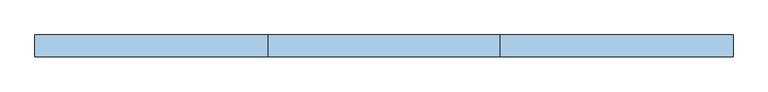
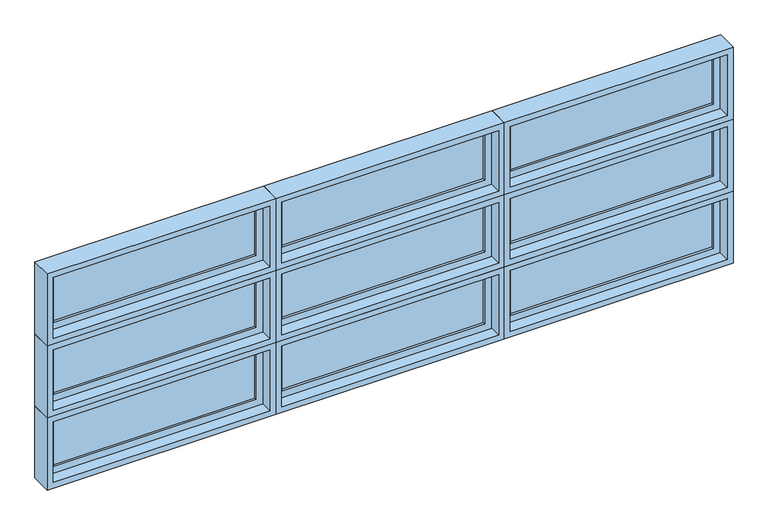
"""IFC4 building model written with IfcOpenShell, lengths in millimetres: window geometry."""

from ifc_helpers import new_model, si_unit, frame, origin, place, context, project, spatial, polyline, outline, extrude, faceted_brep, source, transform, mapped, element, save


def window_64cedaa1(model_context):
    return source(origin(), model_context, "Body", "SolidModel", [
        faceted_brep([(-2310.9781766, 42.8625, 1739.9), (-2310.9781766, 93.6625, 1739.9), (-3504.7781766, 93.6625, 1739.9), (-3504.7781766, 42.8625, 1739.9), (-2330.0281766, -20.6375, 1758.95), (-2330.0281766, 42.8625, 1758.95), (-3485.7281766, 42.8625, 1758.95), (-3485.7281766, -20.6375, 1758.95), (-2298.2781766, 93.6625, 1727.2), (-2298.2781766, -20.6375, 1727.2), (-3517.4781766, -20.6375, 1727.2), (-3517.4781766, 93.6625, 1727.2), (-3504.7781766, 93.6625, 2120.9), (-3504.7781766, 42.8625, 2120.9), (-3485.7281766, 42.8625, 2101.85), (-3485.7281766, -20.6375, 2101.85), (-3517.4781766, -20.6375, 2133.6), (-3517.4781766, 93.6625, 2133.6), (-2310.9781766, 93.6625, 2120.9), (-2310.9781766, 42.8625, 2120.9), (-2330.0281766, 42.8625, 2101.85), (-2330.0281766, -20.6375, 2101.85), (-2298.2781766, -20.6375, 2133.6), (-2298.2781766, 93.6625, 2133.6)], [[[0, 1, 2, 3]], [[4, 5, 6, 7]], [[8, 9, 10, 11]], [[3, 2, 12, 13]], [[7, 6, 14, 15]], [[11, 10, 16, 17]], [[13, 12, 18, 19]], [[15, 14, 20, 21]], [[17, 16, 22, 23]], [[11, 17, 23, 8], [1, 18, 12, 2]], [[19, 18, 1, 0]], [[3, 13, 19, 0], [5, 20, 14, 6]], [[21, 20, 5, 4]], [[9, 22, 16, 10], [7, 15, 21, 4]], [[23, 22, 9, 8]]]),
        extrude(outline(polyline([(-2368.1281766, 74.6125), (-2368.1281766, 68.2625), (-3447.6281766, 68.2625), (-3447.6281766, 74.6125), (-2368.1281766, 74.6125)])), frame((0.0, 0.0, 1797.05), z_axis=(0.0, 0.0, 1.0), x_axis=(1.0, 0.0, 0.0)), (0.0, 0.0, 1.0), 266.7),
        extrude(outline(polyline([(-2368.1281766, 61.9125), (-2368.1281766, 55.5625), (-3447.6281766, 55.5625), (-3447.6281766, 61.9125), (-2368.1281766, 61.9125)])), frame((0.0, 0.0, 1797.05), z_axis=(0.0, 0.0, 1.0), x_axis=(1.0, 0.0, 0.0)), (0.0, 0.0, 1.0), 266.7),
        extrude(outline(polyline([(1739.9, -3504.7781766), (1739.9, -2310.9781766), (2120.9, -2310.9781766), (2120.9, -3504.7781766), (1739.9, -3504.7781766)]), holes=[polyline([(2063.75, -3447.6281766), (2063.75, -2368.1281766), (1797.05, -2368.1281766), (1797.05, -3447.6281766), (2063.75, -3447.6281766)])]), frame((0.0, 42.8625, 0.0), z_axis=(0.0, 1.0, 0.0), x_axis=(0.0, 0.0, 1.0)), (0.0, 0.0, 1.0), 44.45),
        faceted_brep([(-2310.9781766, 42.8625, 1333.5), (-2310.9781766, 93.6625, 1333.5), (-3504.7781766, 93.6625, 1333.5), (-3504.7781766, 42.8625, 1333.5), (-2330.0281766, -20.6375, 1352.55), (-2330.0281766, 42.8625, 1352.55), (-3485.7281766, 42.8625, 1352.55), (-3485.7281766, -20.6375, 1352.55), (-2298.2781766, 93.6625, 1320.8), (-2298.2781766, -20.6375, 1320.8), (-3517.4781766, -20.6375, 1320.8), (-3517.4781766, 93.6625, 1320.8), (-3504.7781766, 93.6625, 1714.5), (-3504.7781766, 42.8625, 1714.5), (-3485.7281766, 42.8625, 1695.45), (-3485.7281766, -20.6375, 1695.45), (-3517.4781766, -20.6375, 1727.2), (-3517.4781766, 93.6625, 1727.2), (-2310.9781766, 93.6625, 1714.5), (-2310.9781766, 42.8625, 1714.5), (-2330.0281766, 42.8625, 1695.45), (-2330.0281766, -20.6375, 1695.45), (-2298.2781766, -20.6375, 1727.2), (-2298.2781766, 93.6625, 1727.2)], [[[0, 1, 2, 3]], [[4, 5, 6, 7]], [[8, 9, 10, 11]], [[3, 2, 12, 13]], [[7, 6, 14, 15]], [[11, 10, 16, 17]], [[13, 12, 18, 19]], [[15, 14, 20, 21]], [[17, 16, 22, 23]], [[11, 17, 23, 8], [1, 18, 12, 2]], [[19, 18, 1, 0]], [[3, 13, 19, 0], [5, 20, 14, 6]], [[21, 20, 5, 4]], [[9, 22, 16, 10], [7, 15, 21, 4]], [[23, 22, 9, 8]]]),
        extrude(outline(polyline([(-2368.1281766, 74.6125), (-2368.1281766, 68.2625), (-3447.6281766, 68.2625), (-3447.6281766, 74.6125), (-2368.1281766, 74.6125)])), frame((0.0, 0.0, 1390.65), z_axis=(0.0, 0.0, 1.0), x_axis=(1.0, 0.0, 0.0)), (0.0, 0.0, 1.0), 266.7),
        extrude(outline(polyline([(-2368.1281766, 61.9125), (-2368.1281766, 55.5625), (-3447.6281766, 55.5625), (-3447.6281766, 61.9125), (-2368.1281766, 61.9125)])), frame((0.0, 0.0, 1390.65), z_axis=(0.0, 0.0, 1.0), x_axis=(1.0, 0.0, 0.0)), (0.0, 0.0, 1.0), 266.7),
        extrude(outline(polyline([(1333.5, -3504.7781766), (1333.5, -2310.9781766), (1714.5, -2310.9781766), (1714.5, -3504.7781766), (1333.5, -3504.7781766)]), holes=[polyline([(1657.35, -3447.6281766), (1657.35, -2368.1281766), (1390.65, -2368.1281766), (1390.65, -3447.6281766), (1657.35, -3447.6281766)])]), frame((0.0, 42.8625, 0.0), z_axis=(0.0, 1.0, 0.0), x_axis=(0.0, 0.0, 1.0)), (0.0, 0.0, 1.0), 44.45),
        faceted_brep([(-2310.9781766, 42.8625, 927.1), (-2310.9781766, 93.6625, 927.1), (-3504.7781766, 93.6625, 927.1), (-3504.7781766, 42.8625, 927.1), (-2330.0281766, -20.6375, 946.15), (-2330.0281766, 42.8625, 946.15), (-3485.7281766, 42.8625, 946.15), (-3485.7281766, -20.6375, 946.15), (-2298.2781766, 93.6625, 914.4), (-2298.2781766, -20.6375, 914.4), (-3517.4781766, -20.6375, 914.4), (-3517.4781766, 93.6625, 914.4), (-3504.7781766, 93.6625, 1308.1), (-3504.7781766, 42.8625, 1308.1), (-3485.7281766, 42.8625, 1289.05), (-3485.7281766, -20.6375, 1289.05), (-3517.4781766, -20.6375, 1320.8), (-3517.4781766, 93.6625, 1320.8), (-2310.9781766, 93.6625, 1308.1), (-2310.9781766, 42.8625, 1308.1), (-2330.0281766, 42.8625, 1289.05), (-2330.0281766, -20.6375, 1289.05), (-2298.2781766, -20.6375, 1320.8), (-2298.2781766, 93.6625, 1320.8)], [[[0, 1, 2, 3]], [[4, 5, 6, 7]], [[8, 9, 10, 11]], [[3, 2, 12, 13]], [[7, 6, 14, 15]], [[11, 10, 16, 17]], [[13, 12, 18, 19]], [[15, 14, 20, 21]], [[17, 16, 22, 23]], [[11, 17, 23, 8], [1, 18, 12, 2]], [[19, 18, 1, 0]], [[3, 13, 19, 0], [5, 20, 14, 6]], [[21, 20, 5, 4]], [[9, 22, 16, 10], [7, 15, 21, 4]], [[23, 22, 9, 8]]]),
        extrude(outline(polyline([(-2368.1281766, 74.6125), (-2368.1281766, 68.2625), (-3447.6281766, 68.2625), (-3447.6281766, 74.6125), (-2368.1281766, 74.6125)])), frame((0.0, 0.0, 984.25), z_axis=(0.0, 0.0, 1.0), x_axis=(1.0, 0.0, 0.0)), (0.0, 0.0, 1.0), 266.7),
        extrude(outline(polyline([(-2368.1281766, 61.9125), (-2368.1281766, 55.5625), (-3447.6281766, 55.5625), (-3447.6281766, 61.9125), (-2368.1281766, 61.9125)])), frame((0.0, 0.0, 984.25), z_axis=(0.0, 0.0, 1.0), x_axis=(1.0, 0.0, 0.0)), (0.0, 0.0, 1.0), 266.7),
        extrude(outline(polyline([(927.1, -3504.7781766), (927.1, -2310.9781766), (1308.1, -2310.9781766), (1308.1, -3504.7781766), (927.1, -3504.7781766)]), holes=[polyline([(1250.95, -3447.6281766), (1250.95, -2368.1281766), (984.25, -2368.1281766), (984.25, -3447.6281766), (1250.95, -3447.6281766)])]), frame((0.0, 42.8625, 0.0), z_axis=(0.0, 1.0, 0.0), x_axis=(0.0, 0.0, 1.0)), (0.0, 0.0, 1.0), 44.45),
        faceted_brep([(127.4218234, 42.8625, 1739.9), (127.4218234, 93.6625, 1739.9), (-1066.3781766, 93.6625, 1739.9), (-1066.3781766, 42.8625, 1739.9), (108.3718234, -20.6375, 1758.95), (108.3718234, 42.8625, 1758.95), (-1047.3281766, 42.8625, 1758.95), (-1047.3281766, -20.6375, 1758.95), (140.1218234, 93.6625, 1727.2), (140.1218234, -20.6375, 1727.2), (-1079.0781766, -20.6375, 1727.2), (-1079.0781766, 93.6625, 1727.2), (-1066.3781766, 93.6625, 2120.9), (-1066.3781766, 42.8625, 2120.9), (-1047.3281766, 42.8625, 2101.85), (-1047.3281766, -20.6375, 2101.85), (-1079.0781766, -20.6375, 2133.6), (-1079.0781766, 93.6625, 2133.6), (127.4218234, 93.6625, 2120.9), (127.4218234, 42.8625, 2120.9), (108.3718234, 42.8625, 2101.85), (108.3718234, -20.6375, 2101.85), (140.1218234, -20.6375, 2133.6), (140.1218234, 93.6625, 2133.6)], [[[0, 1, 2, 3]], [[4, 5, 6, 7]], [[8, 9, 10, 11]], [[3, 2, 12, 13]], [[7, 6, 14, 15]], [[11, 10, 16, 17]], [[13, 12, 18, 19]], [[15, 14, 20, 21]], [[17, 16, 22, 23]], [[11, 17, 23, 8], [1, 18, 12, 2]], [[19, 18, 1, 0]], [[3, 13, 19, 0], [5, 20, 14, 6]], [[21, 20, 5, 4]], [[9, 22, 16, 10], [7, 15, 21, 4]], [[23, 22, 9, 8]]]),
        extrude(outline(polyline([(70.2718234, 74.6125), (70.2718234, 68.2625), (-1009.2281766, 68.2625), (-1009.2281766, 74.6125), (70.2718234, 74.6125)])), frame((0.0, 0.0, 1797.05), z_axis=(0.0, 0.0, 1.0), x_axis=(1.0, 0.0, 0.0)), (0.0, 0.0, 1.0), 266.7),
        extrude(outline(polyline([(70.2718234, 61.9125), (70.2718234, 55.5625), (-1009.2281766, 55.5625), (-1009.2281766, 61.9125), (70.2718234, 61.9125)])), frame((0.0, 0.0, 1797.05), z_axis=(0.0, 0.0, 1.0), x_axis=(1.0, 0.0, 0.0)), (0.0, 0.0, 1.0), 266.7),
        extrude(outline(polyline([(1739.9, -1066.3781766), (1739.9, 127.4218234), (2120.9, 127.4218234), (2120.9, -1066.3781766), (1739.9, -1066.3781766)]), holes=[polyline([(2063.75, -1009.2281766), (2063.75, 70.2718234), (1797.05, 70.2718234), (1797.05, -1009.2281766), (2063.75, -1009.2281766)])]), frame((0.0, 42.8625, 0.0), z_axis=(0.0, 1.0, 0.0), x_axis=(0.0, 0.0, 1.0)), (0.0, 0.0, 1.0), 44.45),
        faceted_brep([(127.4218234, 42.8625, 1333.5), (127.4218234, 93.6625, 1333.5), (-1066.3781766, 93.6625, 1333.5), (-1066.3781766, 42.8625, 1333.5), (108.3718234, -20.6375, 1352.55), (108.3718234, 42.8625, 1352.55), (-1047.3281766, 42.8625, 1352.55), (-1047.3281766, -20.6375, 1352.55), (140.1218234, 93.6625, 1320.8), (140.1218234, -20.6375, 1320.8), (-1079.0781766, -20.6375, 1320.8), (-1079.0781766, 93.6625, 1320.8), (-1066.3781766, 93.6625, 1714.5), (-1066.3781766, 42.8625, 1714.5), (-1047.3281766, 42.8625, 1695.45), (-1047.3281766, -20.6375, 1695.45), (-1079.0781766, -20.6375, 1727.2), (-1079.0781766, 93.6625, 1727.2), (127.4218234, 93.6625, 1714.5), (127.4218234, 42.8625, 1714.5), (108.3718234, 42.8625, 1695.45), (108.3718234, -20.6375, 1695.45), (140.1218234, -20.6375, 1727.2), (140.1218234, 93.6625, 1727.2)], [[[0, 1, 2, 3]], [[4, 5, 6, 7]], [[8, 9, 10, 11]], [[3, 2, 12, 13]], [[7, 6, 14, 15]], [[11, 10, 16, 17]], [[13, 12, 18, 19]], [[15, 14, 20, 21]], [[17, 16, 22, 23]], [[11, 17, 23, 8], [1, 18, 12, 2]], [[19, 18, 1, 0]], [[3, 13, 19, 0], [5, 20, 14, 6]], [[21, 20, 5, 4]], [[9, 22, 16, 10], [7, 15, 21, 4]], [[23, 22, 9, 8]]]),
        extrude(outline(polyline([(70.2718234, 74.6125), (70.2718234, 68.2625), (-1009.2281766, 68.2625), (-1009.2281766, 74.6125), (70.2718234, 74.6125)])), frame((0.0, 0.0, 1390.65), z_axis=(0.0, 0.0, 1.0), x_axis=(1.0, 0.0, 0.0)), (0.0, 0.0, 1.0), 266.7),
        extrude(outline(polyline([(70.2718234, 61.9125), (70.2718234, 55.5625), (-1009.2281766, 55.5625), (-1009.2281766, 61.9125), (70.2718234, 61.9125)])), frame((0.0, 0.0, 1390.65), z_axis=(0.0, 0.0, 1.0), x_axis=(1.0, 0.0, 0.0)), (0.0, 0.0, 1.0), 266.7),
        extrude(outline(polyline([(1333.5, -1066.3781766), (1333.5, 127.4218234), (1714.5, 127.4218234), (1714.5, -1066.3781766), (1333.5, -1066.3781766)]), holes=[polyline([(1657.35, -1009.2281766), (1657.35, 70.2718234), (1390.65, 70.2718234), (1390.65, -1009.2281766), (1657.35, -1009.2281766)])]), frame((0.0, 42.8625, 0.0), z_axis=(0.0, 1.0, 0.0), x_axis=(0.0, 0.0, 1.0)), (0.0, 0.0, 1.0), 44.45),
        faceted_brep([(127.4218234, 42.8625, 927.1), (127.4218234, 93.6625, 927.1), (-1066.3781766, 93.6625, 927.1), (-1066.3781766, 42.8625, 927.1), (108.3718234, -20.6375, 946.15), (108.3718234, 42.8625, 946.15), (-1047.3281766, 42.8625, 946.15), (-1047.3281766, -20.6375, 946.15), (140.1218234, 93.6625, 914.4), (140.1218234, -20.6375, 914.4), (-1079.0781766, -20.6375, 914.4), (-1079.0781766, 93.6625, 914.4), (-1066.3781766, 93.6625, 1308.1), (-1066.3781766, 42.8625, 1308.1), (-1047.3281766, 42.8625, 1289.05), (-1047.3281766, -20.6375, 1289.05), (-1079.0781766, -20.6375, 1320.8), (-1079.0781766, 93.6625, 1320.8), (127.4218234, 93.6625, 1308.1), (127.4218234, 42.8625, 1308.1), (108.3718234, 42.8625, 1289.05), (108.3718234, -20.6375, 1289.05), (140.1218234, -20.6375, 1320.8), (140.1218234, 93.6625, 1320.8)], [[[0, 1, 2, 3]], [[4, 5, 6, 7]], [[8, 9, 10, 11]], [[3, 2, 12, 13]], [[7, 6, 14, 15]], [[11, 10, 16, 17]], [[13, 12, 18, 19]], [[15, 14, 20, 21]], [[17, 16, 22, 23]], [[11, 17, 23, 8], [1, 18, 12, 2]], [[19, 18, 1, 0]], [[3, 13, 19, 0], [5, 20, 14, 6]], [[21, 20, 5, 4]], [[9, 22, 16, 10], [7, 15, 21, 4]], [[23, 22, 9, 8]]]),
        extrude(outline(polyline([(70.2718234, 74.6125), (70.2718234, 68.2625), (-1009.2281766, 68.2625), (-1009.2281766, 74.6125), (70.2718234, 74.6125)])), frame((0.0, 0.0, 984.25), z_axis=(0.0, 0.0, 1.0), x_axis=(1.0, 0.0, 0.0)), (0.0, 0.0, 1.0), 266.7),
        extrude(outline(polyline([(70.2718234, 61.9125), (70.2718234, 55.5625), (-1009.2281766, 55.5625), (-1009.2281766, 61.9125), (70.2718234, 61.9125)])), frame((0.0, 0.0, 984.25), z_axis=(0.0, 0.0, 1.0), x_axis=(1.0, 0.0, 0.0)), (0.0, 0.0, 1.0), 266.7),
        extrude(outline(polyline([(927.1, -1066.3781766), (927.1, 127.4218234), (1308.1, 127.4218234), (1308.1, -1066.3781766), (927.1, -1066.3781766)]), holes=[polyline([(1250.95, -1009.2281766), (1250.95, 70.2718234), (984.25, 70.2718234), (984.25, -1009.2281766), (1250.95, -1009.2281766)])]), frame((0.0, 42.8625, 0.0), z_axis=(0.0, 1.0, 0.0), x_axis=(0.0, 0.0, 1.0)), (0.0, 0.0, 1.0), 44.45),
        faceted_brep([(-2285.5781766, 42.8625, 1739.9), (-1091.7781766, 42.8625, 1739.9), (-1091.7781766, 93.6625, 1739.9), (-2285.5781766, 93.6625, 1739.9), (-2266.5281766, -20.6375, 1758.95), (-1110.8281766, -20.6375, 1758.95), (-1110.8281766, 42.8625, 1758.95), (-2266.5281766, 42.8625, 1758.95), (-2298.2781766, 93.6625, 1727.2), (-1079.0781766, 93.6625, 1727.2), (-1079.0781766, -20.6375, 1727.2), (-2298.2781766, -20.6375, 1727.2), (-1091.7781766, 42.8625, 2120.9), (-1091.7781766, 93.6625, 2120.9), (-1110.8281766, -20.6375, 2101.85), (-1110.8281766, 42.8625, 2101.85), (-1079.0781766, 93.6625, 2133.6), (-1079.0781766, -20.6375, 2133.6), (-2285.5781766, 42.8625, 2120.9), (-2285.5781766, 93.6625, 2120.9), (-2266.5281766, -20.6375, 2101.85), (-2266.5281766, 42.8625, 2101.85), (-2298.2781766, 93.6625, 2133.6), (-2298.2781766, -20.6375, 2133.6)], [[[0, 1, 2, 3]], [[4, 5, 6, 7]], [[8, 9, 10, 11]], [[1, 12, 13, 2]], [[5, 14, 15, 6]], [[9, 16, 17, 10]], [[12, 18, 19, 13]], [[14, 20, 21, 15]], [[16, 22, 23, 17]], [[9, 8, 22, 16], [3, 2, 13, 19]], [[18, 0, 3, 19]], [[1, 0, 18, 12], [7, 6, 15, 21]], [[20, 4, 7, 21]], [[11, 10, 17, 23], [5, 4, 20, 14]], [[22, 8, 11, 23]]]),
        extrude(outline(polyline([(-2228.4281766, 74.6125), (-1148.9281766, 74.6125), (-1148.9281766, 68.2625), (-2228.4281766, 68.2625), (-2228.4281766, 74.6125)])), frame((0.0, 0.0, 1797.05), z_axis=(0.0, 0.0, 1.0), x_axis=(1.0, 0.0, 0.0)), (0.0, 0.0, 1.0), 266.7),
        extrude(outline(polyline([(-2228.4281766, 61.9125), (-1148.9281766, 61.9125), (-1148.9281766, 55.5625), (-2228.4281766, 55.5625), (-2228.4281766, 61.9125)])), frame((0.0, 0.0, 1797.05), z_axis=(0.0, 0.0, 1.0), x_axis=(1.0, 0.0, 0.0)), (0.0, 0.0, 1.0), 266.7),
        extrude(outline(polyline([(1739.9, -1091.7781766), (2120.9, -1091.7781766), (2120.9, -2285.5781766), (1739.9, -2285.5781766), (1739.9, -1091.7781766)]), holes=[polyline([(2063.75, -1148.9281766), (1797.05, -1148.9281766), (1797.05, -2228.4281766), (2063.75, -2228.4281766), (2063.75, -1148.9281766)])]), frame((0.0, 42.8625, 0.0), z_axis=(0.0, 1.0, 0.0), x_axis=(0.0, 0.0, 1.0)), (0.0, 0.0, 1.0), 44.45),
        faceted_brep([(-2285.5781766, 42.8625, 1333.5), (-1091.7781766, 42.8625, 1333.5), (-1091.7781766, 93.6625, 1333.5), (-2285.5781766, 93.6625, 1333.5), (-2266.5281766, -20.6375, 1352.55), (-1110.8281766, -20.6375, 1352.55), (-1110.8281766, 42.8625, 1352.55), (-2266.5281766, 42.8625, 1352.55), (-2298.2781766, 93.6625, 1320.8), (-1079.0781766, 93.6625, 1320.8), (-1079.0781766, -20.6375, 1320.8), (-2298.2781766, -20.6375, 1320.8), (-1091.7781766, 42.8625, 1714.5), (-1091.7781766, 93.6625, 1714.5), (-1110.8281766, -20.6375, 1695.45), (-1110.8281766, 42.8625, 1695.45), (-1079.0781766, 93.6625, 1727.2), (-1079.0781766, -20.6375, 1727.2), (-2285.5781766, 42.8625, 1714.5), (-2285.5781766, 93.6625, 1714.5), (-2266.5281766, -20.6375, 1695.45), (-2266.5281766, 42.8625, 1695.45), (-2298.2781766, 93.6625, 1727.2), (-2298.2781766, -20.6375, 1727.2)], [[[0, 1, 2, 3]], [[4, 5, 6, 7]], [[8, 9, 10, 11]], [[1, 12, 13, 2]], [[5, 14, 15, 6]], [[9, 16, 17, 10]], [[12, 18, 19, 13]], [[14, 20, 21, 15]], [[16, 22, 23, 17]], [[9, 8, 22, 16], [3, 2, 13, 19]], [[18, 0, 3, 19]], [[1, 0, 18, 12], [7, 6, 15, 21]], [[20, 4, 7, 21]], [[11, 10, 17, 23], [5, 4, 20, 14]], [[22, 8, 11, 23]]]),
        extrude(outline(polyline([(-2228.4281766, 74.6125), (-1148.9281766, 74.6125), (-1148.9281766, 68.2625), (-2228.4281766, 68.2625), (-2228.4281766, 74.6125)])), frame((0.0, 0.0, 1390.65), z_axis=(0.0, 0.0, 1.0), x_axis=(1.0, 0.0, 0.0)), (0.0, 0.0, 1.0), 266.7),
        extrude(outline(polyline([(-2228.4281766, 61.9125), (-1148.9281766, 61.9125), (-1148.9281766, 55.5625), (-2228.4281766, 55.5625), (-2228.4281766, 61.9125)])), frame((0.0, 0.0, 1390.65), z_axis=(0.0, 0.0, 1.0), x_axis=(1.0, 0.0, 0.0)), (0.0, 0.0, 1.0), 266.7),
        extrude(outline(polyline([(1333.5, -1091.7781766), (1714.5, -1091.7781766), (1714.5, -2285.5781766), (1333.5, -2285.5781766), (1333.5, -1091.7781766)]), holes=[polyline([(1657.35, -1148.9281766), (1390.65, -1148.9281766), (1390.65, -2228.4281766), (1657.35, -2228.4281766), (1657.35, -1148.9281766)])]), frame((0.0, 42.8625, 0.0), z_axis=(0.0, 1.0, 0.0), x_axis=(0.0, 0.0, 1.0)), (0.0, 0.0, 1.0), 44.45),
        faceted_brep([(-2285.5781766, 42.8625, 927.1), (-1091.7781766, 42.8625, 927.1), (-1091.7781766, 93.6625, 927.1), (-2285.5781766, 93.6625, 927.1), (-2266.5281766, -20.6375, 946.15), (-1110.8281766, -20.6375, 946.15), (-1110.8281766, 42.8625, 946.15), (-2266.5281766, 42.8625, 946.15), (-2298.2781766, 93.6625, 914.4), (-1079.0781766, 93.6625, 914.4), (-1079.0781766, -20.6375, 914.4), (-2298.2781766, -20.6375, 914.4), (-1091.7781766, 42.8625, 1308.1), (-1091.7781766, 93.6625, 1308.1), (-1110.8281766, -20.6375, 1289.05), (-1110.8281766, 42.8625, 1289.05), (-1079.0781766, 93.6625, 1320.8), (-1079.0781766, -20.6375, 1320.8), (-2285.5781766, 42.8625, 1308.1), (-2285.5781766, 93.6625, 1308.1), (-2266.5281766, -20.6375, 1289.05), (-2266.5281766, 42.8625, 1289.05), (-2298.2781766, 93.6625, 1320.8), (-2298.2781766, -20.6375, 1320.8)], [[[0, 1, 2, 3]], [[4, 5, 6, 7]], [[8, 9, 10, 11]], [[1, 12, 13, 2]], [[5, 14, 15, 6]], [[9, 16, 17, 10]], [[12, 18, 19, 13]], [[14, 20, 21, 15]], [[16, 22, 23, 17]], [[9, 8, 22, 16], [3, 2, 13, 19]], [[18, 0, 3, 19]], [[1, 0, 18, 12], [7, 6, 15, 21]], [[20, 4, 7, 21]], [[11, 10, 17, 23], [5, 4, 20, 14]], [[22, 8, 11, 23]]]),
        extrude(outline(polyline([(-2228.4281766, 74.6125), (-1148.9281766, 74.6125), (-1148.9281766, 68.2625), (-2228.4281766, 68.2625), (-2228.4281766, 74.6125)])), frame((0.0, 0.0, 984.25), z_axis=(0.0, 0.0, 1.0), x_axis=(1.0, 0.0, 0.0)), (0.0, 0.0, 1.0), 266.7),
        extrude(outline(polyline([(-2228.4281766, 61.9125), (-1148.9281766, 61.9125), (-1148.9281766, 55.5625), (-2228.4281766, 55.5625), (-2228.4281766, 61.9125)])), frame((0.0, 0.0, 984.25), z_axis=(0.0, 0.0, 1.0), x_axis=(1.0, 0.0, 0.0)), (0.0, 0.0, 1.0), 266.7),
        extrude(outline(polyline([(927.1, -1091.7781766), (1308.1, -1091.7781766), (1308.1, -2285.5781766), (927.1, -2285.5781766), (927.1, -1091.7781766)]), holes=[polyline([(1250.95, -1148.9281766), (984.25, -1148.9281766), (984.25, -2228.4281766), (1250.95, -2228.4281766), (1250.95, -1148.9281766)])]), frame((0.0, 42.8625, 0.0), z_axis=(0.0, 1.0, 0.0), x_axis=(0.0, 0.0, 1.0)), (0.0, 0.0, 1.0), 44.45),
    ])


if __name__ == "__main__":
    model = new_model("IFC4")
    model_context = context("Model", 3, world=origin())
    ifc_project = project(units=[si_unit("LENGTHUNIT", "METRE", prefix="MILLI")], contexts=[model_context])
    site = spatial("IfcSite", under=ifc_project)
    building = spatial("IfcBuilding", under=site)
    placement = place(None, origin())
    window_shape = window_64cedaa1(model_context)
    element("IfcWindow", 1, at=placement, inside=building, context=model_context, shape_type="MappedRepresentation", body=[
        mapped(window_shape, transform((0.0, 0.0, 0.0), x_axis=(1.0, 0.0, 0.0), y_axis=(0.0, 1.0, 0.0), z_axis=(0.0, 0.0, 1.0))),
    ])
    save(model, "model.ifc")
